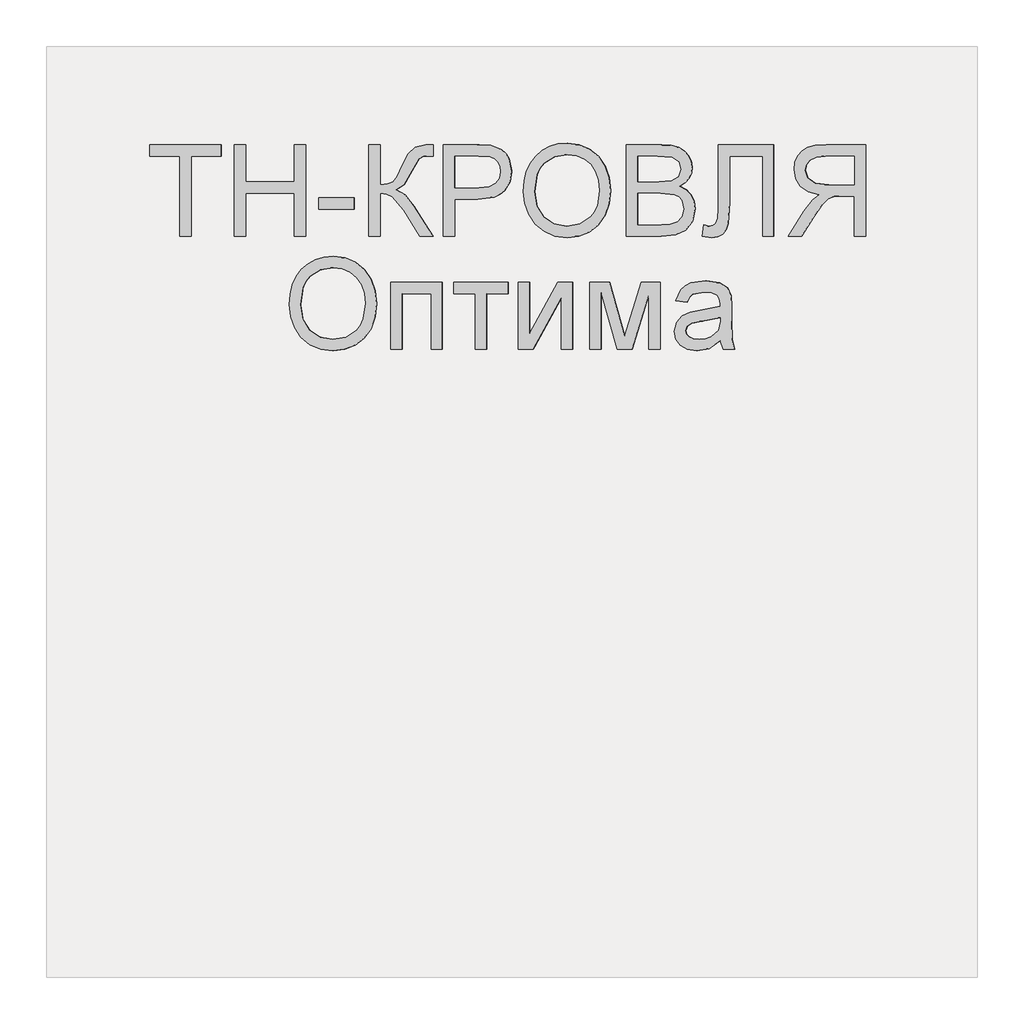
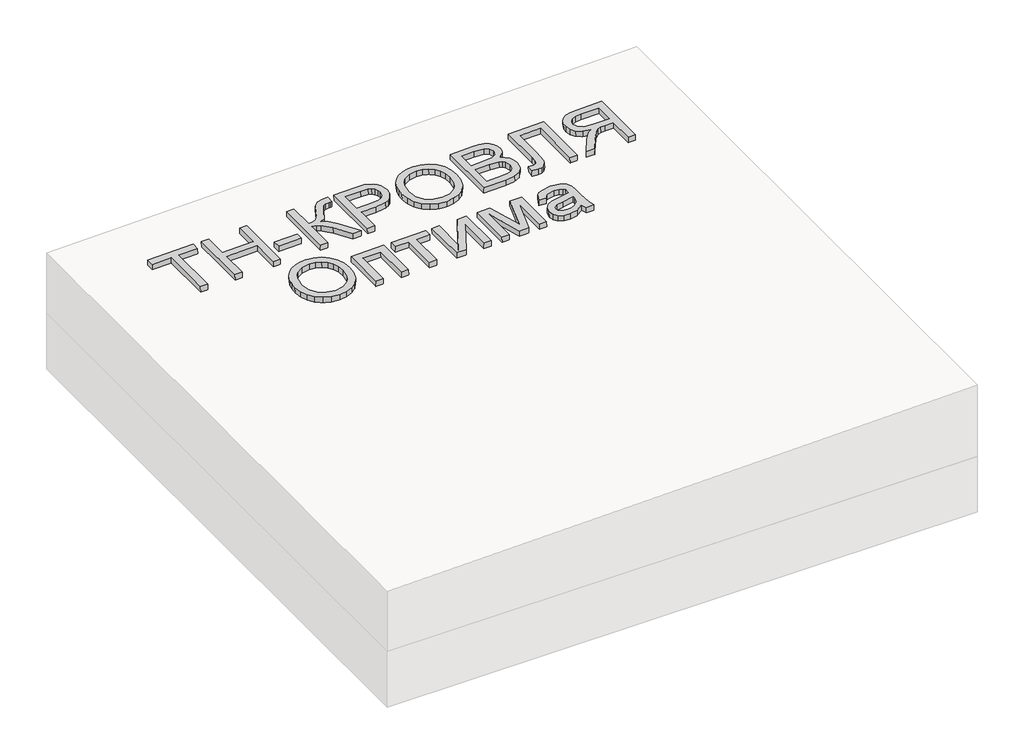
# One storey, part 3 of 3: 1 proxy.
"""IFC4 building model written with IfcOpenShell, lengths in millimetres."""

from ifc_helpers import new_model, si_unit, frame, origin, place, context, project, spatial, polyline, outline, extrude, element, save

model = new_model("IFC4")

# Units and contexts
model_context = context("Model", 3, world=origin())
ifc_project = project(units=[si_unit("LENGTHUNIT", "METRE", prefix="MILLI")], contexts=[model_context])

# Site, building, storey
site = spatial("IfcSite", under=ifc_project)
building = spatial("IfcBuilding", under=site)
storey = spatial("IfcBuildingStorey", under=building, Elevation=0.0)

# Proxy
placement = place(None, origin())
element("IfcBuildingElementProxy", 1, Name="Generic Models", at=placement, inside=storey, context=model_context, shape_type="SweptSolid", body=[
    extrude(outline(polyline([(24.6153847, 0.0), (24.6153847, -172.3076923), (89.2307693, -172.3076923), (89.2307693, -196.9230769), (-64.6153846, -196.9230769), (-64.6153846, -172.3076923), (0.0, -172.3076923), (0.0, 0.0), (24.6153847, 0.0)])), frame((55017.5975579, -4710.2316754, 222.2240393), z_axis=(-0.01999600119956399, 0.0, 0.9998000599800078), x_axis=(-0.9998000599800078, 0.0, -0.01999600119956399)), (0.0, 0.0, 1.0), 20.0),
    extrude(outline(polyline([(24.6153846, 0.0), (24.6153846, -196.9230769), (0.0, -196.9230769), (0.0, -116.9230769), (-104.6153846, -116.9230769), (-104.6153846, -196.9230769), (-129.2307692, -196.9230769), (-129.2307692, 0.0), (-104.6153846, 0.0), (-104.6153846, -92.3076923), (0.0, -92.3076923), (0.0, 0.0), (24.6153846, 0.0)])), frame((55134.4972572, -4710.2316754, 224.5620332), z_axis=(-0.01999600119956399, 0.0, 0.9998000599800078), x_axis=(-0.9998000599800078, 0.0, -0.01999600119956399)), (0.0, 0.0, 1.0), 20.0),
    extrude(outline(polyline([(76.9230769, 0.0), (76.9230769, -24.6153846), (0.0, -24.6153846), (0.0, 0.0), (76.9230769, 0.0)])), frame((55368.2966558, -4651.7701369, 229.2380212), z_axis=(-0.01999600119956399, 0.0, 0.9998000599800079), x_axis=(-0.9998000599800079, 0.0, -0.01999600119956399)), (0.0, 0.0, 1.0), 20.0),
    extrude(outline(polyline([(196.9230769, 0.0), (196.9230769, -24.6153846), (110.7692308, -24.6153846), (112.3978365, -41.280048), (117.2836538, -52.1394231), (128.7800481, -60.9194711), (150.2403846, -71.3461539), (177.7644231, -84.9278846), (191.3942308, -100.3125), (196.9230769, -122.3076923), (196.6346154, -138.4615384), (172.0192308, -138.4615384), (172.1634615, -133.0288461), (172.3076923, -127.5961539), (170.8293269, -116.3221153), (166.3942308, -108.3653846), (141.0576923, -93.75), (110.1923077, -76.3221153), (100.0, -59.326923), (88.8701923, -78.3293269), (65.6730769, -97.0673076), (0.0, -138.4615384), (0.0, -109.9038462), (55.4807692, -74.9038462), (84.4471154, -50.2644231), (90.3425481, -38.8882211), (92.3076923, -24.6153846), (0.0, -24.6153846), (0.0, 0.0), (196.9230769, 0.0)])), frame((55399.0597346, -4710.2316754, 229.8532828), z_axis=(-0.019996001199563986, 0.0, 0.9998000599800078), x_axis=(0.0, 1.0, 0.0)), (0.0, 0.0, 1.0), 20.0),
    extrude(outline(polyline([(24.6153846, 0.0), (24.6153846, -196.9230769), (-48.3653846, -196.9230769), (-77.7884615, -195.0480769), (-101.7067307, -185.8413461), (-110.4026442, -177.6802885), (-117.2115385, -166.8028846), (-123.0769231, -139.9519231), (-119.1165866, -116.7427885), (-107.2355769, -97.4038461), (-97.7208534, -89.7896635), (-85.0180288, -84.3509615), (-50.0480769, -80.0), (0.0, -80.0), (0.0, 0.0), (24.6153846, 0.0)]), holes=[polyline([(0.0, -104.6153846), (-51.4903846, -104.6153846), (-73.3173077, -106.875), (-87.7403846, -113.6538461), (-95.78125, -124.53125), (-98.4615385, -139.0865385), (-96.8810096, -150.1442308), (-92.1394231, -159.4711538), (-84.8257212, -166.4903846), (-75.5288461, -170.625), (-50.9134615, -172.3076923), (0.0, -172.3076923), (0.0, -104.6153846)])]), frame((55583.6382072, -4710.2316754, 233.5448522), z_axis=(-0.01999600119956399, 0.0, 0.9998000599800078), x_axis=(-0.9998000599800078, 0.0, -0.01999600119956399)), (0.0, 0.0, 1.0), 20.0),
    extrude(outline(polyline([(25.3428445, 0.0), (48.1160484, -4.1938573), (67.8912361, -11.3545773), (84.6684074, -21.4821599), (98.4475626, -34.5766053), (108.9049086, -49.9093781), (115.7166524, -66.7519434), (118.8827941, -85.104301), (118.4033337, -104.9664512), (112.3116986, -130.2760814), (100.0658902, -152.2136343), (82.4868293, -169.6009171), (60.3954366, -181.2597367), (34.812491, -187.0380147), (6.7587717, -186.7836729), (-21.0136463, -180.6528552), (-44.9882084, -168.8870737), (-63.9421568, -152.1247694), (-76.6527338, -131.0043835), (-83.1347827, -107.1750808), (-83.4031474, -82.286026), (-77.165962, -56.5935492), (-64.6008839, -34.5586151), (-46.7404789, -17.2511252), (-24.6173127, -5.740981), (0.0, 0.0), (25.3428445, 0.0)]), holes=[polyline([(22.3721769, -24.4366544), (-8.7890431, -25.9094147), (-33.7562618, -37.9787802), (-50.9832576, -58.3865326), (-58.9238091, -84.8744541), (-57.0179297, -112.8610054), (-44.5775814, -136.6179285), (-34.5460353, -146.3414541), (-22.1589797, -153.8699216), (9.6816594, -162.341683), (31.570013, -162.6815635), (50.9840871, -158.5364567), (67.4340475, -150.0149317), (80.43006, -137.2255581), (89.4380632, -121.0520253), (93.9239955, -102.3780231), (92.2935561, -75.5530127), (81.0850249, -51.6494364), (71.4163804, -41.5325654), (58.4080243, -33.6248113), (22.3721769, -24.4366544)])]), frame((55734.112923, -4639.5525889, 236.5543466), z_axis=(-0.019996001199563993, 0.0, 0.9998000599800079), x_axis=(-0.11095588221386112, 0.9938228553011974, -0.002219117644273191)), (0.0, 0.0, 1.0), 20.0),
    extrude(outline(polyline([(74.5673077, 0.0), (74.5673077, -196.9230769), (-0.5769232, -196.9230769), (-21.2439904, -195.4747596), (-37.3798077, -191.1298077), (-49.7475961, -183.7800481), (-59.110577, -173.3173077), (-65.0060096, -161.0096154), (-66.9711539, -148.125), (-65.3185097, -136.2680288), (-60.360577, -125.1201923), (-52.0612981, -115.3665865), (-40.3846154, -107.6923077), (-54.3329327, -100.4086538), (-64.6394231, -89.3269231), (-71.0036058, -75.1802885), (-73.125, -58.7019231), (-67.3317308, -32.2355769), (-52.9807693, -13.3894231), (-31.5625, -3.3894231), (0.0, 0.0), (74.5673077, 0.0)]), holes=[polyline([(49.9519231, -116.9230769), (5.0, -116.9230769), (-21.25, -119.0384615), (-37.0432692, -128.1490385), (-42.3557692, -144.1826923), (-37.4038462, -160.2403846), (-23.2211538, -169.7355769), (8.4134615, -172.3076923), (49.9519231, -172.3076923), (49.9519231, -116.9230769)]), polyline([(49.9519231, -24.6153846), (-0.5288461, -24.6153846), (-18.798077, -25.5769231), (-34.2548077, -30.9375), (-44.4951924, -41.875), (-48.5096154, -58.4615385), (-43.798077, -77.5961538), (-37.626202, -84.5132211), (-28.5336539, -89.0144231), (1.875, -92.3076923), (49.9519231, -92.3076923), (49.9519231, -24.6153846)])]), frame((56027.3475511, -4710.2316754, 242.4190391), z_axis=(-0.019996001199563986, 0.0, 0.9998000599800078), x_axis=(-0.9998000599800078, 0.0, -0.019996001199563986)), (0.0, 0.0, 1.0), 20.0),
    extrude(outline(polyline([(137.6442308, 0.0), (137.6442308, -120.0), (-59.2788461, -120.0), (-59.2788461, -95.3846154), (113.0288462, -95.3846154), (113.0288462, -24.6153847), (12.548077, -24.6153847), (-32.2836538, -21.7548078), (-44.951923, -17.3257212), (-54.4471153, -9.7596154), (-60.3786057, 0.6009615), (-62.3557692, 13.4134615), (-59.2788461, 33.8461538), (-34.6634615, 30.7692307), (-37.7403846, 18.9903845), (-36.0877403, 10.6670673), (-31.1298076, 4.7355769), (-20.0420673, 1.1838942), (0.0, 0.0), (137.6442308, 0.0)])), frame((56149.6788565, -4650.9528293, 244.8656652), z_axis=(-0.019996001199563986, 0.0, 0.9998000599800078), x_axis=(0.0, 1.0, 0.0)), (0.0, 0.0, 1.0), 20.0),
    extrude(outline(polyline([(24.6153847, -110.7692308), (0.0, -110.7692308), (0.0, -24.6153847), (-29.7115384, -24.6153847), (-43.9903845, -25.4807693), (-55.6971154, -30.1682693), (-68.7019231, -42.9326923), (-87.2115384, -69.9519231), (-112.8365384, -110.7692308), (-141.4423077, -110.7692308), (-108.6057692, -57.4038462), (-88.6538462, -32.0673077), (-74.6634615, -21.5384616), (-98.9122596, -15.0120193), (-115.889423, -3.2211539), (-125.8954326, 12.8605769), (-129.2307692, 32.2596153), (-127.2175481, 47.8545673), (-121.1778846, 62.0432692), (-111.7668269, 73.4855769), (-99.639423, 80.8413461), (-83.046875, 84.8257211), (-60.2403846, 86.1538461), (24.6153847, 86.1538461), (24.6153847, -110.7692308)]), holes=[polyline([(0.0, 0.0), (0.0, 61.5384615), (-61.2980768, 61.5384615), (-80.7752403, 59.4110577), (-94.2067307, 53.0288461), (-102.0132211, 43.3533653), (-104.6153846, 31.3461538), (-99.1586538, 14.639423), (-83.1971153, 3.4855769), (-55.0961538, 0.0), (0.0, 0.0)])]), frame((56441.9281048, -4599.4624446, 250.7106502), z_axis=(-0.019996001199563986, 0.0, 0.9998000599800078), x_axis=(0.9998000599800078, 0.0, 0.019996001199563986)), (0.0, 0.0, 1.0), 20.0),
    extrude(outline(polyline([(25.3428444, 0.0), (48.1160484, -4.1938573), (67.891236, -11.3545773), (84.6684074, -21.48216), (98.4475625, -34.5766053), (108.9049085, -49.9093782), (115.7166523, -66.7519434), (118.882794, -85.1043011), (118.4033336, -104.9664512), (112.3116985, -130.2760814), (100.0658901, -152.2136344), (82.4868292, -169.6009171), (60.3954365, -181.2597367), (34.812491, -187.0380147), (6.7587716, -186.7836729), (-21.0136464, -180.6528553), (-44.9882085, -168.8870737), (-63.9421569, -152.1247694), (-76.6527338, -131.0043835), (-83.1347828, -107.1750808), (-83.4031475, -82.2860261), (-77.1659621, -56.5935492), (-64.6008841, -34.5586152), (-46.740479, -17.2511253), (-24.6173127, -5.740981), (0.0, 0.0), (25.3428444, 0.0)]), holes=[polyline([(22.3721768, -24.4366543), (-8.7890431, -25.9094148), (-33.7562618, -37.9787802), (-50.9832577, -58.3865327), (-58.9238091, -84.8744541), (-57.0179297, -112.8610054), (-44.5775814, -136.6179285), (-34.5460354, -146.3414541), (-22.1589798, -153.8699217), (9.6816593, -162.341683), (31.5700129, -162.6815636), (50.984087, -158.5364568), (67.4340474, -150.0149318), (80.43006, -137.2255581), (89.4380631, -121.0520254), (93.9239954, -102.3780231), (92.293556, -75.5530127), (81.0850248, -51.6494364), (71.4163803, -41.5325654), (58.4080242, -33.6248113), (22.3721768, -24.4366543)])]), frame((55231.1365851, -4882.6295119, 226.4948198), z_axis=(-0.019996001199563993, 0.0, 0.9998000599800079), x_axis=(-0.11095588221386112, 0.9938228553011974, -0.002219117644273191)), (0.0, 0.0, 1.0), 20.0),
    extrude(outline(polyline([(144.6153846, 0.0), (144.6153846, -110.7692307), (0.0, -110.7692307), (0.0, -86.1538461), (120.0, -86.1538461), (120.0, -24.6153846), (0.0, -24.6153846), (0.0, 0.0), (144.6153846, 0.0)])), frame((55446.7425067, -4953.3085985, 230.8069382), z_axis=(-0.019996001199563986, 0.0, 0.9998000599800078), x_axis=(0.0, 1.0, 0.0)), (0.0, 0.0, 1.0), 20.0),
    extrude(outline(polyline([(24.6153846, 0.0), (24.6153846, -116.9230769), (0.0, -116.9230769), (0.0, -70.7692307), (-120.0, -70.7692307), (-120.0, -46.1538461), (0.0, -46.1538461), (0.0, 0.0), (24.6153846, 0.0)])), frame((55582.1000533, -4833.3085985, 233.5140892), z_axis=(-0.019996001199563986, 0.0, 0.9998000599800078), x_axis=(0.0, 1.0, 0.0)), (0.0, 0.0, 1.0), 20.0),
    extrude(outline(polyline([(144.6153846, 0.0), (144.6153846, -24.6153846), (34.3269231, -24.6153846), (144.6153846, -85.0961538), (144.6153846, -116.9230769), (0.0, -116.9230769), (0.0, -92.3076923), (109.6153846, -92.3076923), (0.0, -32.2115385), (0.0, 0.0), (144.6153846, 0.0)])), frame((55720.5339077, -4953.3085985, 236.2827663), z_axis=(-0.019996001199563986, 0.0, 0.9998000599800078), x_axis=(0.0, 1.0, 0.0)), (0.0, 0.0, 1.0), 20.0),
    extrude(outline(polyline([(144.6153846, 0.0), (144.6153846, -42.3557692), (28.8461539, -75.0), (144.6153846, -110.1923077), (144.6153846, -150.7692307), (0.0, -150.7692307), (0.0, -126.1538461), (116.4423077, -126.1538461), (0.0, -90.7692307), (0.0, -58.4615384), (122.0192308, -24.6153846), (0.0, -24.6153846), (0.0, 0.0), (144.6153846, 0.0)])), frame((55874.3493016, -4953.3085985, 239.3590741), z_axis=(-0.019996001199563986, 0.0, 0.9998000599800078), x_axis=(0.0, 1.0, 0.0)), (0.0, 0.0, 1.0), 20.0),
    extrude(outline(polyline([(19.4601702, -1e-07), (11.1819963, 27.9207832), (14.9143961, 54.4732733), (24.1902839, 73.0649574), (37.3011934, 84.6897486), (52.8826325, 89.3590492), (69.5701086, 87.0842617), (86.5521477, 76.4571844), (96.0465823, 60.2429097), (98.2586564, 41.3376585), (95.0355657, 19.9618777), (89.5623928, -23.2153749), (94.7162973, -25.0853757), (105.6740454, -26.9515756), (114.1004512, -24.4012291), (122.7587066, -15.3020791), (129.4557417, -0.8361792), (132.8384667, 24.2872046), (128.8153045, 32.9891694), (120.6530554, 40.8663574), (131.3561489, 63.2455532), (150.7935143, 45.5413592), (155.5977439, 34.3745663), (157.376525, 20.7448455), (151.8045309, -11.6304924), (138.2204199, -38.5478606), (122.4698447, -51.0601419), (104.2335367, -52.9377443), (83.4202766, -47.2669291), (54.3668506, -37.5824538), (13.4016719, -25.2450098), (-7.7840681, -23.3522042), (0.0, 0.0), (19.4601702, -1e-07)]), holes=[polyline([(66.1645787, -15.5681362), (71.5617354, 24.4924486), (74.4731593, 45.8454244), (71.3488897, 56.9970141), (63.4279923, 63.1847402), (55.9042801, 63.7605636), (48.4755881, 60.4405521), (41.8184615, 53.1258846), (36.6094453, 41.7177398), (33.8253486, 28.7094523), (34.3213549, 16.2294779), (42.7667647, -3.5119526), (59.5967713, -13.2268344), (66.1645787, -15.5681362)])]), frame((56160.4459341, -4953.3085985, 245.0810068), z_axis=(-0.01999600119956399, 0.0, 0.9998000599800078), x_axis=(-0.3161645394310612, 0.9486832980504862, -0.006323290788609769)), (0.0, 0.0, 1.0), 20.0),
])

save(model, "model.ifc")
